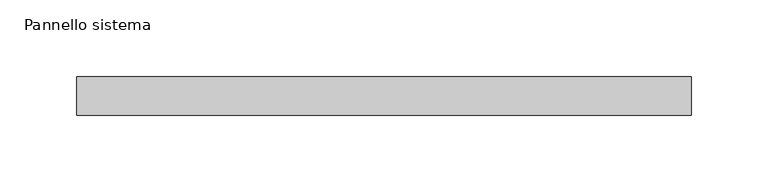
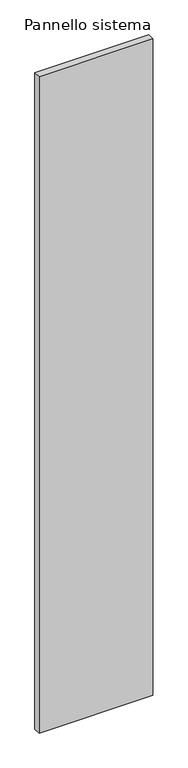
"""IFC4 building model written with IfcOpenShell, lengths in millimetres: plate geometry, Pannello sistema."""

import ifcopenshell
import ifcopenshell.guid

model = None  # the IFC model being written
_history = None  # IfcOwnerHistory: only IFC2X3 demands one
_inside = {}  # id of a spatial element -> (the spatial element, [elements in it])
_under = {}  # id of a project, library or spatial element -> (it, [spatial elements below it])
_declared = {}  # id of a project -> (the project, [libraries it declares])
_typed = {}  # id of a type object -> (the type object, [elements of that type])
_made_of = {}  # id of a material, layer set ... -> (it, [elements and type objects made of it])


def new_model(schema):
    """Start an empty IFC model of exactly this schema.

    Asked for "IFC4X3", IfcOpenShell would pick the latest addendum, in which some entities
    have other attributes; the version numbers below select the first issue.
    IFC2X3 requires an IfcOwnerHistory on every rooted entity: one is made here for all.
    """
    global model, _history
    if schema == "IFC4X3":
        model = ifcopenshell.file(schema_version=(4, 3, 0, 0))
    else:
        model = ifcopenshell.file(schema=schema)
    _inside.clear()
    _under.clear()
    _declared.clear()
    _typed.clear()
    _made_of.clear()
    _history = None
    if model.schema == "IFC2X3":
        org = make("IfcOrganization", Name="unknown")
        user = make(
            "IfcPersonAndOrganization",
            ThePerson=make("IfcPerson", FamilyName="unknown"),
            TheOrganization=org,
        )
        app = make(
            "IfcApplication",
            ApplicationDeveloper=org,
            Version="unknown",
            ApplicationFullName="unknown",
            ApplicationIdentifier="unknown",
        )
        _history = make(
            "IfcOwnerHistory",
            OwningUser=user,
            OwningApplication=app,
            ChangeAction="ADDED",
            CreationDate=0,
        )
    return model


def make(cls, **values):
    """One entity of the class cls with the attributes given. An attribute that is None is left unset."""
    return model.create_entity(
        cls, **{name: value for name, value in values.items() if value is not None}
    )


def rooted(cls, **values):
    """An entity with a GlobalId (a new one), such as an element, a storey or a relation."""
    return make(cls, GlobalId=ifcopenshell.guid.new(), OwnerHistory=_history, **values)


def si_unit(unit_type, name, prefix=None):
    """IfcSIUnit, for example si_unit("LENGTHUNIT", "METRE", prefix="MILLI")."""
    return make("IfcSIUnit", UnitType=unit_type, Prefix=prefix, Name=name)


def assignment(units):
    """IfcUnitAssignment: the units of a project."""
    return None if units is None else make("IfcUnitAssignment", Units=units)


def point(xyz):
    """IfcCartesianPoint."""
    return None if xyz is None else make("IfcCartesianPoint", Coordinates=xyz)


def direction(xyz):
    """IfcDirection."""
    return None if xyz is None else make("IfcDirection", DirectionRatios=xyz)


def frame(location, z_axis=None, x_axis=None):
    """IfcAxis2Placement3D, a coordinate frame: its origin and axes. An axis left out is left unset."""
    return make(
        "IfcAxis2Placement3D",
        Location=point(location),
        Axis=direction(z_axis),
        RefDirection=direction(x_axis),
    )


def origin():
    """The frame at (0, 0, 0) with its axes left unset."""
    return frame((0.0, 0.0, 0.0))


def origin_with_axes():
    """The frame at (0, 0, 0) with the z axis (0, 0, 1) and the x axis (1, 0, 0) written out."""
    return frame((0.0, 0.0, 0.0), z_axis=(0.0, 0.0, 1.0), x_axis=(1.0, 0.0, 0.0))


def place(relative_to, where):
    """IfcLocalPlacement: puts the frame where relative to a parent placement (None: the world)."""
    return make(
        "IfcLocalPlacement", PlacementRelTo=relative_to, RelativePlacement=where
    )


def context(
    kind, dimensions, precision=None, world=None, true_north=None, identifier=None
):
    """IfcGeometricRepresentationContext, for example the 3D "Model" context."""
    return make(
        "IfcGeometricRepresentationContext",
        ContextIdentifier=identifier,
        ContextType=kind,
        CoordinateSpaceDimension=dimensions,
        Precision=precision,
        WorldCoordinateSystem=world,
        TrueNorth=true_north,
    )


def project(units=None, contexts=None):
    """IfcProject with its units and contexts."""
    return rooted(
        "IfcProject",
        Name="project",
        RepresentationContexts=contexts,
        UnitsInContext=assignment(units),
    )


def spatial(cls, under=None, at=None, **own):
    """A site, building, storey or space (cls), placed at a placement, below another one or the project."""
    s = rooted(cls, ObjectPlacement=at, **own)
    if under is not None:
        _under.setdefault(under.id(), (under, []))[1].append(s)
    return s


def polyline(points):
    """IfcPolyline through the points."""
    return make("IfcPolyline", Points=[point(p) for p in points])


def outline(outer, holes=None, kind="AREA"):
    """IfcArbitraryClosedProfileDef: a profile drawn as a closed curve; with holes, ...WithVoids."""
    if holes is None:
        return make("IfcArbitraryClosedProfileDef", ProfileType=kind, OuterCurve=outer)
    return make(
        "IfcArbitraryProfileDefWithVoids",
        ProfileType=kind,
        OuterCurve=outer,
        InnerCurves=holes,
    )


def extrude(swept, where, along, depth):
    """IfcExtrudedAreaSolid: the profile swept, set in the frame where, extruded along a direction by depth."""
    return make(
        "IfcExtrudedAreaSolid",
        SweptArea=swept,
        Position=where,
        ExtrudedDirection=direction(along),
        Depth=depth,
    )


def shape(context_of_items, identifier, shape_type, items):
    """IfcShapeRepresentation: the items that make up one representation, for example the "Body"."""
    return make(
        "IfcShapeRepresentation",
        ContextOfItems=context_of_items,
        RepresentationIdentifier=identifier,
        RepresentationType=shape_type,
        Items=items,
    )


def source(mapping_origin, context_of_items, identifier, shape_type, items):
    """IfcRepresentationMap: a shape defined once, which mapped items show again and again."""
    return make(
        "IfcRepresentationMap",
        MappingOrigin=mapping_origin,
        MappedRepresentation=shape(context_of_items, identifier, shape_type, items),
    )


def transform(
    local_origin,
    x_axis=None,
    y_axis=None,
    z_axis=None,
    scale=None,
    scale2=None,
    scale3=None,
    uniform=True,
):
    """IfcCartesianTransformationOperator3D, or its non-uniform kind. x_axis, y_axis, z_axis: its Axis1, 2, 3."""
    if uniform:
        return make(
            "IfcCartesianTransformationOperator3D",
            Axis1=direction(x_axis),
            Axis2=direction(y_axis),
            LocalOrigin=point(local_origin),
            Scale=scale,
            Axis3=direction(z_axis),
        )
    return make(
        "IfcCartesianTransformationOperator3DnonUniform",
        Axis1=direction(x_axis),
        Axis2=direction(y_axis),
        LocalOrigin=point(local_origin),
        Scale=scale,
        Axis3=direction(z_axis),
        Scale2=scale2,
        Scale3=scale3,
    )


def mapped(mapping_source, mapping_target):
    """IfcMappedItem: shows the shape of a source again, moved by a transform."""
    return make(
        "IfcMappedItem", MappingSource=mapping_source, MappingTarget=mapping_target
    )


def made_of(thing, what):
    """Note that an element or type object is made of a material, layer set ...; save() writes the relation."""
    if what is not None:
        _made_of.setdefault(what.id(), (what, []))[1].append(thing)
    return thing


def element(
    cls,
    number,
    at=None,
    inside=None,
    cuts=None,
    type_object=None,
    material=None,
    context=None,
    identifier="Body",
    shape_type=None,
    held_by="IfcProductDefinitionShape",
    body=None,
    shapes=None,
    **own,
):
    """One element of the class cls, such as IfcWall. Its Tag is "e" and its number.

    at: its placement. inside: the storey or other place that contains it. cuts: it is an
    opening in that element (IfcRelVoidsElement). A single representation is given by context,
    identifier, shape_type and body (its items); several are given by shapes. held_by: the class
    of the entity that holds the representations. save() writes the other relations.
    """
    e = rooted(cls, Tag="e%d" % number, ObjectPlacement=at, **own)
    if body is not None:
        shapes = [shape(context, identifier, shape_type, body)]
    if shapes is not None:
        e.Representation = make(held_by, Representations=shapes)
    if inside is not None:
        _inside.setdefault(inside.id(), (inside, []))[1].append(e)
    if cuts is not None:
        rooted(
            "IfcRelVoidsElement", RelatingBuildingElement=cuts, RelatedOpeningElement=e
        )
    if type_object is not None:
        _typed.setdefault(type_object.id(), (type_object, []))[1].append(e)
    return made_of(e, material)


def aggregate(whole, parts):
    """IfcRelAggregates: a whole, such as a stair, and the parts it consists of."""
    return rooted("IfcRelAggregates", RelatingObject=whole, RelatedObjects=parts)


def save(model, path):
    """Write the relations noted so far, then the file.

    IfcRelAggregates (storeys below a building ...), IfcRelContainedInSpatialStructure (elements
    in a storey), IfcRelDefinesByType, IfcRelAssociatesMaterial and IfcRelDeclares: one each for
    every whole, place, type object, material and project.
    """
    for whole, parts in _under.values():
        aggregate(whole, parts)
    for where, things in _inside.values():
        rooted(
            "IfcRelContainedInSpatialStructure",
            RelatedElements=things,
            RelatingStructure=where,
        )
    for kind, things in _typed.values():
        rooted("IfcRelDefinesByType", RelatedObjects=things, RelatingType=kind)
    for what, things in _made_of.values():
        rooted("IfcRelAssociatesMaterial", RelatedObjects=things, RelatingMaterial=what)
    for by, libraries in _declared.values():
        rooted("IfcRelDeclares", RelatingContext=by, RelatedDefinitions=libraries)
    model.write(path)


def pannello_sistema_5c697564(model_context):
    return source(origin(), model_context, "Body", "SweptSolid", [
        extrude(outline(polyline([(200.0, -12.5), (-200.0, -12.5), (-200.0, 12.5), (200.0, 12.5), (200.0, -12.5)])), origin_with_axes(), (0.0, 0.0, 1.0), 2440.0),
    ])


if __name__ == "__main__":
    model = new_model("IFC4")
    model_context = context("Model", 3, world=origin())
    ifc_project = project(units=[si_unit("LENGTHUNIT", "METRE", prefix="MILLI")], contexts=[model_context])
    site = spatial("IfcSite", under=ifc_project)
    building = spatial("IfcBuilding", under=site)
    placement = place(None, origin())
    pannello_sistema_shape = pannello_sistema_5c697564(model_context)
    element("IfcPlate", 1, ObjectType="Pannello sistema", at=placement, inside=building, context=model_context, shape_type="MappedRepresentation", body=[
        mapped(pannello_sistema_shape, transform((0.0, 0.0, 0.0), x_axis=(1.0, 0.0, 0.0), y_axis=(0.0, 1.0, 0.0), z_axis=(0.0, 0.0, 1.0))),
    ])
    save(model, "model.ifc")
